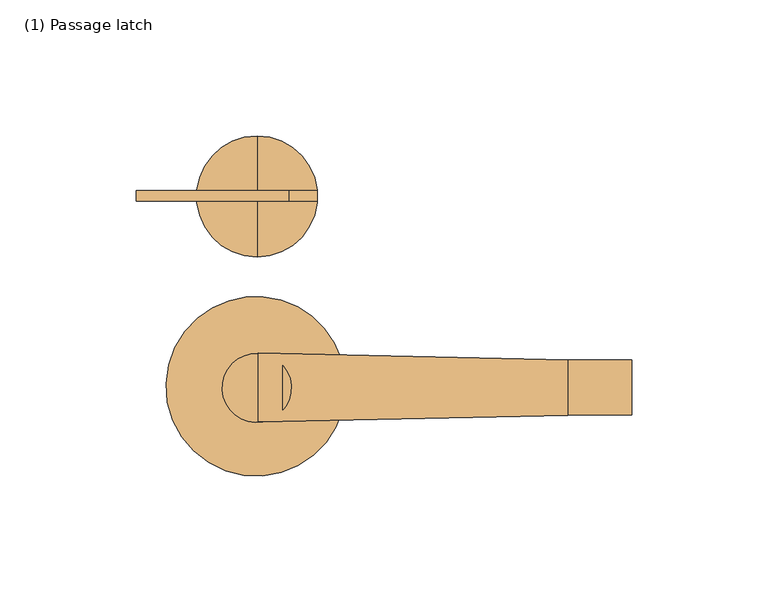
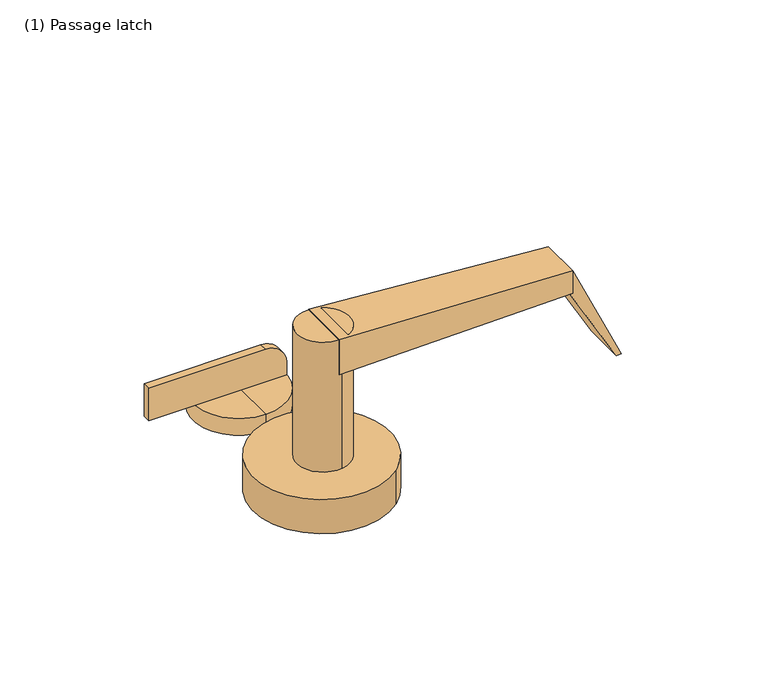
"""IFC4 building model written with IfcOpenShell, lengths in millimetres: door geometry, (1) Passage latch."""

from ifc_helpers import new_model, si_unit, point, frame, frame_2d, origin, origin_with_axes, place, context, project, spatial, polyline, circle_curve, trimmed, segment, composite_curve, outline, extrude, source, transform, mapped, element, save
from ifc_brep_helpers import plane_surface, cylinder_surface, spline_surface, advanced_brep


def door_1_passage_latch_88182d44(model_context):
    return source(origin(), model_context, "Body", "SolidModel", [
        advanced_brep(
        [(113.0826159, -9.8661661, 77.089), (113.0826159, -9.8661661, 65.659), (113.0826159, 10.4783486, 65.659), (113.0826159, 10.4783486, 77.089), (-0.79375, -12.3783123, 83.439), (-0.79375, 13.0118705, 83.439), (-0.79375, 13.0089229, 65.659), (-0.79375, -12.378509, 65.659)],
        [
            (0, 1),
            (1, 2),
            (2, 3),
            (3, 0),
            (4, 5),
            (5, 6),
            (6, 7),
            (7, 4),
            (7, 1),
            (0, 4),
            (6, 2),
            (5, 3),
        ],
        [
            plane_surface(frame((113.0826159, 0.3060912, 71.374), z_axis=(1.0, 0.0, 0.0), x_axis=(0.0, -1.0, 0.0))),
            plane_surface(frame((-0.79375, 0.315993, 74.549), z_axis=(-1.0000000000000002, 0.0, 0.0), x_axis=(0.0, -1.1064247386625775e-05, -0.9999999999387913))),
            spline_surface(1, 1, [[(-0.79375, -12.3783123, 83.439), (113.0826159, -9.8661661, 77.089)], [(-0.79375, -12.378509, 65.659), (113.0826159, -9.8661661, 65.659)]], [2, 2], [2, 2], [0.0, 1.0], [0.0, 1.0]),
            plane_surface(frame((-0.79375, 0.315207, 65.659), z_axis=(0.0, 0.0, -1.0), x_axis=(0.0, 1.0, 0.0))),
            spline_surface(1, 1, [[(-0.79375, 13.0089229, 65.659), (113.0826159, 10.4783486, 65.659)], [(-0.79375, 13.0118705, 83.439), (113.0826159, 10.4783486, 77.089)]], [2, 2], [2, 2], [0.0, 1.0], [0.0, 1.0]),
            plane_surface(frame((-0.79375, 0.3167791, 83.439), z_axis=(0.05567573642750613, 0.0, 0.9984489032360419), x_axis=(0.0, -1.0, 0.0))),
        ],
        [
            (0, [[1, 2, 3, 4]]),
            (1, [[5, 6, 7, 8]]),
            (2, [[-8, 9, -1, 10]]),
            (3, [[-7, 11, -2, -9]]),
            (4, [[-6, 12, -3, -11]]),
            (5, [[-5, -10, -4, -12]]),
        ],
    ),
        extrude(outline(composite_curve([segment(trimmed(circle_curve(frame_2d((-1.3064074, 0.1984375)), 12.7), [point((-3.427265, 12.7200973))], [point((0.8144502, -12.3232223))], False, "CARTESIAN"), True, "CONTINUOUS"), segment(trimmed(circle_curve(frame_2d((-1.3064074, 0.1984375)), 12.7), [point((0.8144502, -12.3232223))], [point((-3.427265, 12.7200973))], False, "CARTESIAN"), True, "CONTINUOUS")], self_intersect=False)), frame((0.0, 0.0, 17.399), z_axis=(0.0, 0.0, 1.0), x_axis=(1.0, 0.0, 0.0)), (0.0, 0.0, 1.0), 66.04),
        extrude(outline(composite_curve([segment(trimmed(circle_curve(frame_2d((-1.6178614, 0.7745191)), 33.02), [point((-22.9508261, 25.9781898))], [point((19.7151032, -24.4291516))], False, "CARTESIAN"), True, "CONTINUOUS"), segment(trimmed(circle_curve(frame_2d((-1.6178614, 0.7745191)), 33.02), [point((19.7151032, -24.4291516))], [point((-22.9508261, 25.9781898))], False, "CARTESIAN"), True, "CONTINUOUS")], self_intersect=False)), origin_with_axes(), (0.0, 0.0, 1.0), 17.399),
        extrude(outline(polyline([(77.089, 113.0826159), (65.659, 113.0826159), (65.659, 111.7545147), (26.5862634, 134.0924288), (26.5862634, 136.6324288), (77.089, 113.0826159)])), frame((0.0, -9.8416514, 0.0), z_axis=(0.0, 1.0, 0.0), x_axis=(0.0, 0.0, 1.0)), (0.0, 0.0, 1.0), 20.32),
        extrude(outline(composite_curve([segment(polyline([(25.146, 10.6467926), (25.146, -45.6833325), (8.636, -45.6833325), (8.636, 20.8690339), (15.3233, 20.8690339)]), True, "CONTINUOUS"), segment(trimmed(circle_curve(frame_2d((14.9632029, 10.6925033)), 10.1828997), [point((15.3233, 20.8690339))], [point((25.146, 10.6467926))], False, "CARTESIAN"), True, "CONTINUOUS")], self_intersect=False)), frame((0.0, 68.8789197, 0.0), z_axis=(0.0, 1.0, 0.0), x_axis=(0.0, 0.0, 1.0)), (0.0, 0.0, 1.0), 3.81),
        advanced_brep(
        [(-1.190625, 92.8715961, 8.636), (-1.190625, 48.3891034, 8.636), (-1.190625, 70.6303498, 8.636), (-1.190625, 92.8715961, 0.0), (-1.190625, 48.3891034, 0.0), (-1.190625, 70.6303498, 0.0)],
        [
            (0, 1, circle_curve(frame((-1.190625, 70.6303498, 8.636), z_axis=(0.0, 0.0, 1.0), x_axis=(0.0, -1.0, 0.0)), 22.2412463)),
            (1, 2),
            (2, 0),
            (1, 0, circle_curve(frame((-1.190625, 70.6303498, 8.636), z_axis=(0.0, 0.0, 1.0), x_axis=(0.0, -1.0, 0.0)), 22.2412463)),
            (3, 4, circle_curve(frame((-1.190625, 70.6303498, 0.0), z_axis=(0.0, 0.0, 1.0), x_axis=(0.0, -1.0, 0.0)), 22.2412463)),
            (4, 1),
            (0, 3),
            (4, 3, circle_curve(frame((-1.190625, 70.6303498, 0.0), z_axis=(0.0, 0.0, 1.0), x_axis=(0.0, -1.0, 0.0)), 22.2412463)),
            (5, 4),
            (3, 5),
        ],
        [
            plane_surface(frame((-1.190625, 70.6303498, 8.636), z_axis=(0.0, 0.0, 1.0), x_axis=(0.0, -1.0, 0.0))),
            cylinder_surface(frame((-1.190625, 70.6303498, 76.2), z_axis=(0.0, 0.0, -1.0), x_axis=(0.0, -1.0, 0.0)), 22.2412463),
            plane_surface(frame((-1.190625, 70.6303498, 0.0), z_axis=(0.0, 0.0, -1.0), x_axis=(0.0, -1.0, 0.0))),
        ],
        [
            (0, [[1, 2, 3]]),
            (0, [[4, -3, -2]]),
            (1, [[5, 6, -1, 7]]),
            (1, [[8, -7, -4, -6]]),
            (2, [[9, -5, 10]]),
            (2, [[-10, -8, -9]]),
        ],
    ),
    ])


if __name__ == "__main__":
    model = new_model("IFC4")
    model_context = context("Model", 3, world=origin())
    ifc_project = project(units=[si_unit("LENGTHUNIT", "METRE", prefix="MILLI")], contexts=[model_context])
    site = spatial("IfcSite", under=ifc_project)
    building = spatial("IfcBuilding", under=site)
    placement = place(None, origin())
    door_1_passage_latch_shape = door_1_passage_latch_88182d44(model_context)
    element("IfcDoor", 1, ObjectType="(1) Passage latch", at=placement, inside=building, context=model_context, shape_type="MappedRepresentation", body=[
        mapped(door_1_passage_latch_shape, transform((0.0, 0.0, 0.0), x_axis=(1.0, 0.0, 0.0), y_axis=(0.0, 1.0, 0.0), z_axis=(0.0, 0.0, 1.0))),
    ])
    save(model, "model.ifc")
